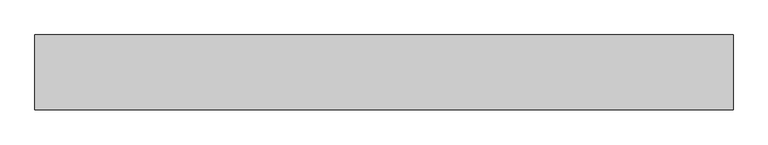
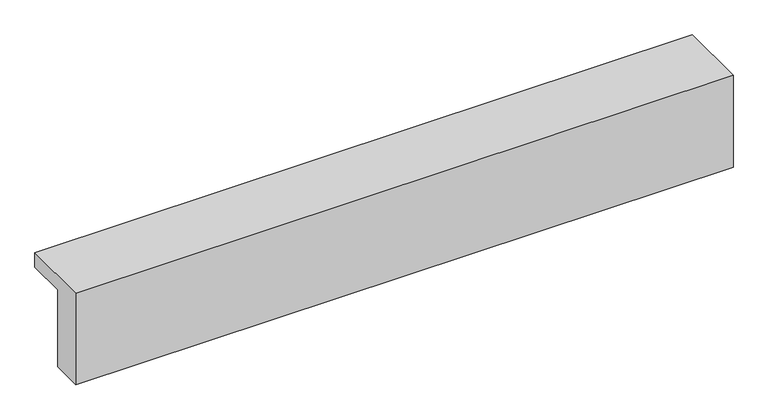
"""IFC4 building model written with IfcOpenShell, lengths in millimetres: fastener geometry."""

from ifc_helpers import new_model, si_unit, frame, origin, place, context, project, spatial, polyline, outline, extrude, source, transform, mapped, element, save


def fastener_4cb64241(model_context):
    return source(origin(), model_context, "Body", "SweptSolid", [
        extrude(outline(polyline([(7951.187898, 7580.0), (7951.187898, 7060.0), (7751.187898, 7060.0), (7751.187898, 7680.0), (8201.187898, 7680.0), (8201.187898, 7580.0), (7951.187898, 7580.0)])), frame((-16167.9488808, 0.0, 0.0), z_axis=(1.0, 0.0, 0.0), x_axis=(0.0, 1.0, 0.0)), (0.0, 0.0, 1.0), 4200.0),
    ])


if __name__ == "__main__":
    model = new_model("IFC4")
    model_context = context("Model", 3, world=origin())
    ifc_project = project(units=[si_unit("LENGTHUNIT", "METRE", prefix="MILLI")], contexts=[model_context])
    site = spatial("IfcSite", under=ifc_project)
    building = spatial("IfcBuilding", under=site)
    placement = place(None, origin())
    fastener_shape = fastener_4cb64241(model_context)
    element("IfcFastener", 1, at=placement, inside=building, context=model_context, shape_type="MappedRepresentation", body=[
        mapped(fastener_shape, transform((0.0, 0.0, 0.0), x_axis=(1.0, 0.0, 0.0), y_axis=(0.0, 1.0, 0.0), z_axis=(0.0, 0.0, 1.0))),
    ])
    save(model, "model.ifc")
